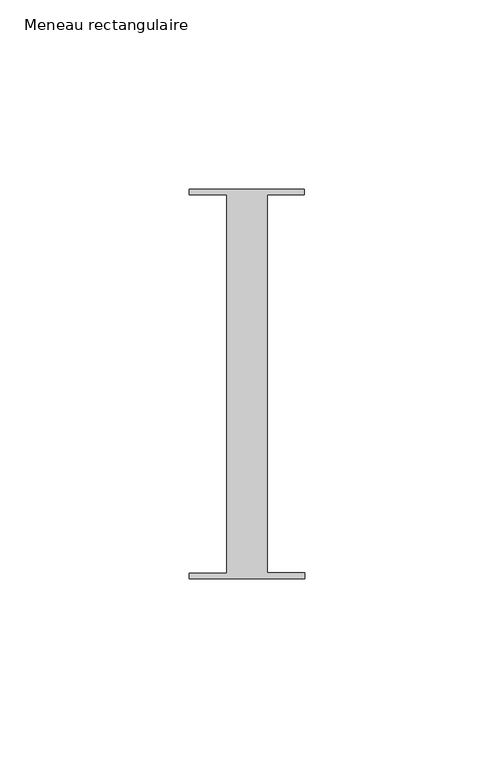
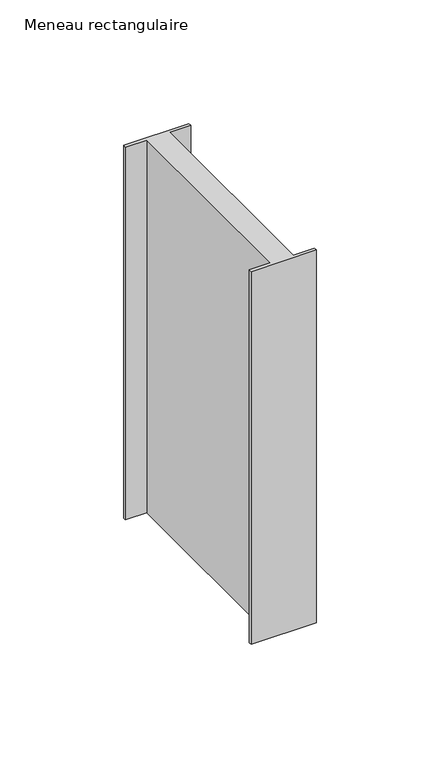
"""IFC4 building model written with IfcOpenShell, lengths in millimetres: member geometry, Meneau rectangulaire."""

from ifc_helpers import new_model, si_unit, frame, origin, place, context, project, spatial, polyline, outline, extrude, source, transform, mapped, element, save


def meneau_rectangulaire_703e0ada(model_context):
    return source(origin(), model_context, "Body", "SweptSolid", [
        extrude(outline(polyline([(15.1919193, 51.5152664), (15.1934333, 50.0054494), (5.4028486, 50.0054494), (5.4028486, -49.9846825), (15.2937013, -49.9846825), (15.2952055, -51.4846817), (-15.2047792, -51.5152664), (-15.2062834, -50.0152672), (-5.4194144, -50.0152672), (-5.4194144, 49.9942223), (-15.3065707, 49.9942223), (-15.3080653, 51.4846817), (15.1919193, 51.5152664)])), frame((0.0, 0.0, -184.1532996), z_axis=(0.0, 0.0, 1.0), x_axis=(1.0, 0.0, 0.0)), (0.0, 0.0, 1.0), 184.1532996),
    ])


if __name__ == "__main__":
    model = new_model("IFC4")
    model_context = context("Model", 3, world=origin())
    ifc_project = project(units=[si_unit("LENGTHUNIT", "METRE", prefix="MILLI")], contexts=[model_context])
    site = spatial("IfcSite", under=ifc_project)
    building = spatial("IfcBuilding", under=site)
    placement = place(None, origin())
    meneau_rectangulaire_shape = meneau_rectangulaire_703e0ada(model_context)
    element("IfcMember", 1, ObjectType="Meneau rectangulaire", at=placement, inside=building, context=model_context, shape_type="MappedRepresentation", body=[
        mapped(meneau_rectangulaire_shape, transform((0.0, 0.0, 0.0), x_axis=(1.0, 0.0, 0.0), y_axis=(0.0, 1.0, 0.0), z_axis=(0.0, 0.0, 1.0))),
    ])
    save(model, "model.ifc")
